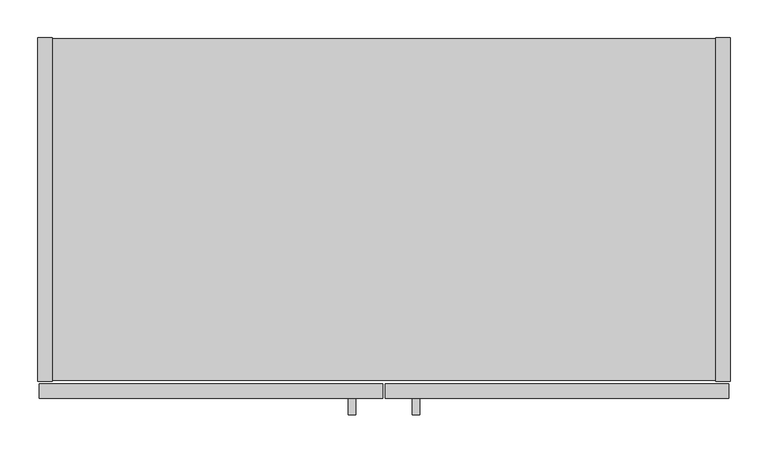
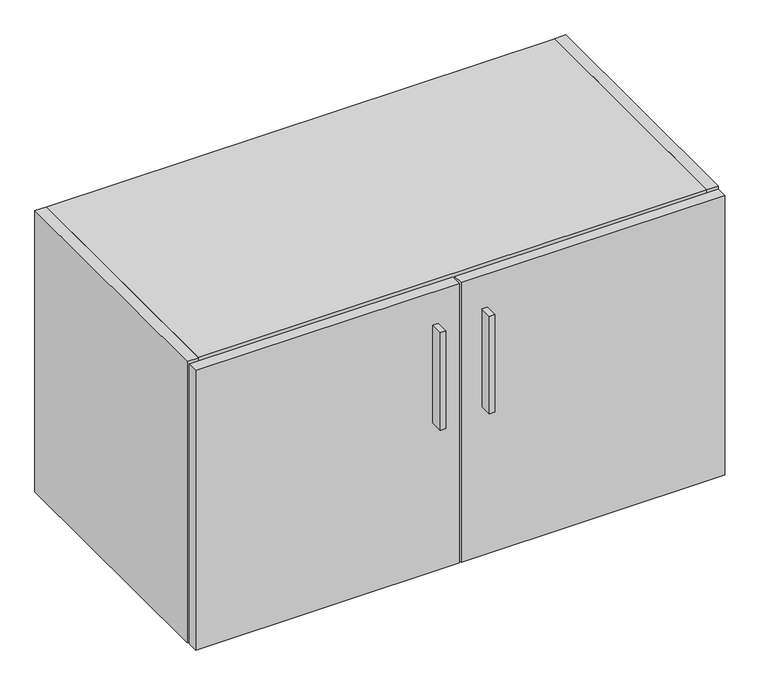
"""IFC4 building model written with IfcOpenShell, lengths in millimetres: furniture geometry."""

import ifcopenshell
import ifcopenshell.guid

model = None  # the IFC model being written
_history = None  # IfcOwnerHistory: only IFC2X3 demands one
_inside = {}  # id of a spatial element -> (the spatial element, [elements in it])
_under = {}  # id of a project, library or spatial element -> (it, [spatial elements below it])
_declared = {}  # id of a project -> (the project, [libraries it declares])
_typed = {}  # id of a type object -> (the type object, [elements of that type])
_made_of = {}  # id of a material, layer set ... -> (it, [elements and type objects made of it])


def new_model(schema):
    """Start an empty IFC model of exactly this schema.

    Asked for "IFC4X3", IfcOpenShell would pick the latest addendum, in which some entities
    have other attributes; the version numbers below select the first issue.
    IFC2X3 requires an IfcOwnerHistory on every rooted entity: one is made here for all.
    """
    global model, _history
    if schema == "IFC4X3":
        model = ifcopenshell.file(schema_version=(4, 3, 0, 0))
    else:
        model = ifcopenshell.file(schema=schema)
    _inside.clear()
    _under.clear()
    _declared.clear()
    _typed.clear()
    _made_of.clear()
    _history = None
    if model.schema == "IFC2X3":
        org = make("IfcOrganization", Name="unknown")
        user = make(
            "IfcPersonAndOrganization",
            ThePerson=make("IfcPerson", FamilyName="unknown"),
            TheOrganization=org,
        )
        app = make(
            "IfcApplication",
            ApplicationDeveloper=org,
            Version="unknown",
            ApplicationFullName="unknown",
            ApplicationIdentifier="unknown",
        )
        _history = make(
            "IfcOwnerHistory",
            OwningUser=user,
            OwningApplication=app,
            ChangeAction="ADDED",
            CreationDate=0,
        )
    return model


def make(cls, **values):
    """One entity of the class cls with the attributes given. An attribute that is None is left unset."""
    return model.create_entity(
        cls, **{name: value for name, value in values.items() if value is not None}
    )


def rooted(cls, **values):
    """An entity with a GlobalId (a new one), such as an element, a storey or a relation."""
    return make(cls, GlobalId=ifcopenshell.guid.new(), OwnerHistory=_history, **values)


def si_unit(unit_type, name, prefix=None):
    """IfcSIUnit, for example si_unit("LENGTHUNIT", "METRE", prefix="MILLI")."""
    return make("IfcSIUnit", UnitType=unit_type, Prefix=prefix, Name=name)


def assignment(units):
    """IfcUnitAssignment: the units of a project."""
    return None if units is None else make("IfcUnitAssignment", Units=units)


def point(xyz):
    """IfcCartesianPoint."""
    return None if xyz is None else make("IfcCartesianPoint", Coordinates=xyz)


def direction(xyz):
    """IfcDirection."""
    return None if xyz is None else make("IfcDirection", DirectionRatios=xyz)


def frame(location, z_axis=None, x_axis=None):
    """IfcAxis2Placement3D, a coordinate frame: its origin and axes. An axis left out is left unset."""
    return make(
        "IfcAxis2Placement3D",
        Location=point(location),
        Axis=direction(z_axis),
        RefDirection=direction(x_axis),
    )


def frame_2d(location, x_axis=None):
    """IfcAxis2Placement2D, a coordinate frame in the plane: its origin and x axis."""
    return make(
        "IfcAxis2Placement2D", Location=point(location), RefDirection=direction(x_axis)
    )


def origin():
    """The frame at (0, 0, 0) with its axes left unset."""
    return frame((0.0, 0.0, 0.0))


def place(relative_to, where):
    """IfcLocalPlacement: puts the frame where relative to a parent placement (None: the world)."""
    return make(
        "IfcLocalPlacement", PlacementRelTo=relative_to, RelativePlacement=where
    )


def context(
    kind, dimensions, precision=None, world=None, true_north=None, identifier=None
):
    """IfcGeometricRepresentationContext, for example the 3D "Model" context."""
    return make(
        "IfcGeometricRepresentationContext",
        ContextIdentifier=identifier,
        ContextType=kind,
        CoordinateSpaceDimension=dimensions,
        Precision=precision,
        WorldCoordinateSystem=world,
        TrueNorth=true_north,
    )


def project(units=None, contexts=None):
    """IfcProject with its units and contexts."""
    return rooted(
        "IfcProject",
        Name="project",
        RepresentationContexts=contexts,
        UnitsInContext=assignment(units),
    )


def spatial(cls, under=None, at=None, **own):
    """A site, building, storey or space (cls), placed at a placement, below another one or the project."""
    s = rooted(cls, ObjectPlacement=at, **own)
    if under is not None:
        _under.setdefault(under.id(), (under, []))[1].append(s)
    return s


def polyline(points):
    """IfcPolyline through the points."""
    return make("IfcPolyline", Points=[point(p) for p in points])


def circle_curve(where, radius):
    """IfcCircle in the frame where."""
    return make("IfcCircle", Position=where, Radius=radius)


def trimmed(basis, trim1, trim2, sense, master):
    """IfcTrimmedCurve: the piece of a basis curve between two trims."""
    return make(
        "IfcTrimmedCurve",
        BasisCurve=basis,
        Trim1=trim1,
        Trim2=trim2,
        SenseAgreement=sense,
        MasterRepresentation=master,
    )


def segment(curve, same_sense, transition):
    """IfcCompositeCurveSegment."""
    return make(
        "IfcCompositeCurveSegment",
        Transition=transition,
        SameSense=same_sense,
        ParentCurve=curve,
    )


def composite_curve(segments, self_intersect=None):
    """IfcCompositeCurve: segments joined end to end."""
    return make("IfcCompositeCurve", Segments=segments, SelfIntersect=self_intersect)


def outline(outer, holes=None, kind="AREA"):
    """IfcArbitraryClosedProfileDef: a profile drawn as a closed curve; with holes, ...WithVoids."""
    if holes is None:
        return make("IfcArbitraryClosedProfileDef", ProfileType=kind, OuterCurve=outer)
    return make(
        "IfcArbitraryProfileDefWithVoids",
        ProfileType=kind,
        OuterCurve=outer,
        InnerCurves=holes,
    )


def extrude(swept, where, along, depth):
    """IfcExtrudedAreaSolid: the profile swept, set in the frame where, extruded along a direction by depth."""
    return make(
        "IfcExtrudedAreaSolid",
        SweptArea=swept,
        Position=where,
        ExtrudedDirection=direction(along),
        Depth=depth,
    )


def shape(context_of_items, identifier, shape_type, items):
    """IfcShapeRepresentation: the items that make up one representation, for example the "Body"."""
    return make(
        "IfcShapeRepresentation",
        ContextOfItems=context_of_items,
        RepresentationIdentifier=identifier,
        RepresentationType=shape_type,
        Items=items,
    )


def source(mapping_origin, context_of_items, identifier, shape_type, items):
    """IfcRepresentationMap: a shape defined once, which mapped items show again and again."""
    return make(
        "IfcRepresentationMap",
        MappingOrigin=mapping_origin,
        MappedRepresentation=shape(context_of_items, identifier, shape_type, items),
    )


def transform(
    local_origin,
    x_axis=None,
    y_axis=None,
    z_axis=None,
    scale=None,
    scale2=None,
    scale3=None,
    uniform=True,
):
    """IfcCartesianTransformationOperator3D, or its non-uniform kind. x_axis, y_axis, z_axis: its Axis1, 2, 3."""
    if uniform:
        return make(
            "IfcCartesianTransformationOperator3D",
            Axis1=direction(x_axis),
            Axis2=direction(y_axis),
            LocalOrigin=point(local_origin),
            Scale=scale,
            Axis3=direction(z_axis),
        )
    return make(
        "IfcCartesianTransformationOperator3DnonUniform",
        Axis1=direction(x_axis),
        Axis2=direction(y_axis),
        LocalOrigin=point(local_origin),
        Scale=scale,
        Axis3=direction(z_axis),
        Scale2=scale2,
        Scale3=scale3,
    )


def mapped(mapping_source, mapping_target):
    """IfcMappedItem: shows the shape of a source again, moved by a transform."""
    return make(
        "IfcMappedItem", MappingSource=mapping_source, MappingTarget=mapping_target
    )


def made_of(thing, what):
    """Note that an element or type object is made of a material, layer set ...; save() writes the relation."""
    if what is not None:
        _made_of.setdefault(what.id(), (what, []))[1].append(thing)
    return thing


def element(
    cls,
    number,
    at=None,
    inside=None,
    cuts=None,
    type_object=None,
    material=None,
    context=None,
    identifier="Body",
    shape_type=None,
    held_by="IfcProductDefinitionShape",
    body=None,
    shapes=None,
    **own,
):
    """One element of the class cls, such as IfcWall. Its Tag is "e" and its number.

    at: its placement. inside: the storey or other place that contains it. cuts: it is an
    opening in that element (IfcRelVoidsElement). A single representation is given by context,
    identifier, shape_type and body (its items); several are given by shapes. held_by: the class
    of the entity that holds the representations. save() writes the other relations.
    """
    e = rooted(cls, Tag="e%d" % number, ObjectPlacement=at, **own)
    if body is not None:
        shapes = [shape(context, identifier, shape_type, body)]
    if shapes is not None:
        e.Representation = make(held_by, Representations=shapes)
    if inside is not None:
        _inside.setdefault(inside.id(), (inside, []))[1].append(e)
    if cuts is not None:
        rooted(
            "IfcRelVoidsElement", RelatingBuildingElement=cuts, RelatedOpeningElement=e
        )
    if type_object is not None:
        _typed.setdefault(type_object.id(), (type_object, []))[1].append(e)
    return made_of(e, material)


def aggregate(whole, parts):
    """IfcRelAggregates: a whole, such as a stair, and the parts it consists of."""
    return rooted("IfcRelAggregates", RelatingObject=whole, RelatedObjects=parts)


def save(model, path):
    """Write the relations noted so far, then the file.

    IfcRelAggregates (storeys below a building ...), IfcRelContainedInSpatialStructure (elements
    in a storey), IfcRelDefinesByType, IfcRelAssociatesMaterial and IfcRelDeclares: one each for
    every whole, place, type object, material and project.
    """
    for whole, parts in _under.values():
        aggregate(whole, parts)
    for where, things in _inside.values():
        rooted(
            "IfcRelContainedInSpatialStructure",
            RelatedElements=things,
            RelatingStructure=where,
        )
    for kind, things in _typed.values():
        rooted("IfcRelDefinesByType", RelatedObjects=things, RelatingType=kind)
    for what, things in _made_of.values():
        rooted("IfcRelAssociatesMaterial", RelatedObjects=things, RelatingMaterial=what)
    for by, libraries in _declared.values():
        rooted("IfcRelDeclares", RelatingContext=by, RelatedDefinitions=libraries)
    model.write(path)


def furniture_3a52302e(model_context):
    return source(origin(), model_context, "Body", "SweptSolid", [
        extrude(outline(polyline([(419.7338631, -498.729), (410.2088631, -498.729), (410.2088631, -476.504), (419.7338631, -476.504), (419.7338631, -498.729)])), frame((0.0, 0.0, 596.9), z_axis=(0.0, 0.0, 1.0), x_axis=(1.0, 0.0, 0.0)), (0.0, 0.0, 1.0), 177.8),
        extrude(outline(polyline([(504.1888631, -498.729), (494.6638631, -498.729), (494.6638631, -476.504), (504.1888631, -476.504), (504.1888631, -498.729)])), frame((0.0, 0.0, 596.9), z_axis=(0.0, 0.0, 1.0), x_axis=(1.0, 0.0, 0.0)), (0.0, 0.0, 1.0), 177.8),
        extrude(outline(polyline([(455.6125, -476.504), (1.5875, -476.504), (1.5875, -457.2), (455.6125, -457.2), (455.6125, -476.504)])), frame((0.0, 0.0, 325.628), z_axis=(0.0, 0.0, 1.0), x_axis=(1.0, 0.0, 0.0)), (0.0, 0.0, 1.0), 509.397),
        extrude(outline(polyline([(912.8125, -476.504), (458.7875, -476.504), (458.7875, -457.2), (912.8125, -457.2), (912.8125, -476.504)])), frame((0.0, 0.0, 325.628), z_axis=(0.0, 0.0, 1.0), x_axis=(1.0, 0.0, 0.0)), (0.0, 0.0, 1.0), 509.397),
        extrude(outline(polyline([(19.304, 0.0), (19.304, -454.025), (0.0, -454.025), (0.0, 0.0), (19.304, 0.0)])), frame((0.0, 0.0, 325.628), z_axis=(0.0, 0.0, 1.0), x_axis=(1.0, 0.0, 0.0)), (0.0, 0.0, 1.0), 512.572),
        extrude(outline(composite_curve([segment(polyline([(-454.025, 838.2), (0.0, 838.2), (0.0, 761.492), (-9.3963729, 761.492)]), True, "CONTINUOUS"), segment(trimmed(circle_curve(frame_2d((-9.3963729, 758.1883729)), 3.3036271), [point((-9.3963729, 761.492))], [point((-12.7, 758.1883729))], True, "CARTESIAN"), True, "CONTINUOUS"), segment(polyline([(-12.7, 758.1883729), (-12.7, 656.844)]), True, "CONTINUOUS"), segment(trimmed(circle_curve(frame_2d((-9.398, 656.844)), 3.302), [point((-12.7, 656.844))], [point((-9.398, 653.542))], True, "CARTESIAN"), True, "CONTINUOUS"), segment(polyline([(-9.398, 653.542), (0.0, 653.542), (0.0, 325.628), (-454.025, 325.628), (-454.025, 838.2)]), True, "CONTINUOUS")], self_intersect=False)), frame((895.096, 0.0, 0.0), z_axis=(1.0, 0.0, 0.0), x_axis=(0.0, 1.0, 0.0)), (0.0, 0.0, 1.0), 19.304),
        extrude(outline(polyline([(895.096, -0.9906), (895.096, -453.0344), (19.304, -453.0344), (19.304, -0.9906), (895.096, -0.9906)])), frame((0.0, 0.0, 326.6186), z_axis=(0.0, 0.0, 1.0), x_axis=(1.0, 0.0, 0.0)), (0.0, 0.0, 1.0), 19.304),
        extrude(outline(composite_curve([segment(polyline([(-32.004, 818.896), (-11.938, 818.896), (-11.938, 760.2988429)]), True, "CONTINUOUS"), segment(trimmed(circle_curve(frame_2d((-9.3963729, 758.1883729)), 3.3036271), [point((-11.938, 760.2988429))], [point((-12.7, 758.1883729))], True, "CARTESIAN"), True, "CONTINUOUS"), segment(polyline([(-12.7, 758.1883729), (-12.7, 656.844)]), True, "CONTINUOUS"), segment(trimmed(circle_curve(frame_2d((-9.398, 656.844)), 3.302), [point((-12.7, 656.844))], [point((-11.938, 654.7341175))], True, "CARTESIAN"), True, "CONTINUOUS"), segment(polyline([(-11.938, 654.7341175), (-11.938, 345.9226), (-32.004, 345.9226), (-32.004, 818.896)]), True, "CONTINUOUS")], self_intersect=False)), frame((19.304, 0.0, 0.0), z_axis=(1.0, 0.0, 0.0), x_axis=(0.0, 1.0, 0.0)), (0.0, 0.0, 1.0), 875.792),
        extrude(outline(polyline([(895.096, -453.0344), (19.304, -453.0344), (19.304, -0.9906), (895.096, -0.9906), (895.096, -453.0344)])), frame((0.0, 0.0, 818.896), z_axis=(0.0, 0.0, 1.0), x_axis=(1.0, 0.0, 0.0)), (0.0, 0.0, 1.0), 19.304),
    ])


if __name__ == "__main__":
    model = new_model("IFC4")
    model_context = context("Model", 3, world=origin())
    ifc_project = project(units=[si_unit("LENGTHUNIT", "METRE", prefix="MILLI")], contexts=[model_context])
    site = spatial("IfcSite", under=ifc_project)
    building = spatial("IfcBuilding", under=site)
    placement = place(None, origin())
    furniture_shape = furniture_3a52302e(model_context)
    element("IfcFurniture", 1, at=placement, inside=building, context=model_context, shape_type="MappedRepresentation", body=[
        mapped(furniture_shape, transform((0.0, 0.0, 0.0), x_axis=(1.0, 0.0, 0.0), y_axis=(0.0, 1.0, 0.0), z_axis=(0.0, 0.0, 1.0))),
    ])
    save(model, "model.ifc")
